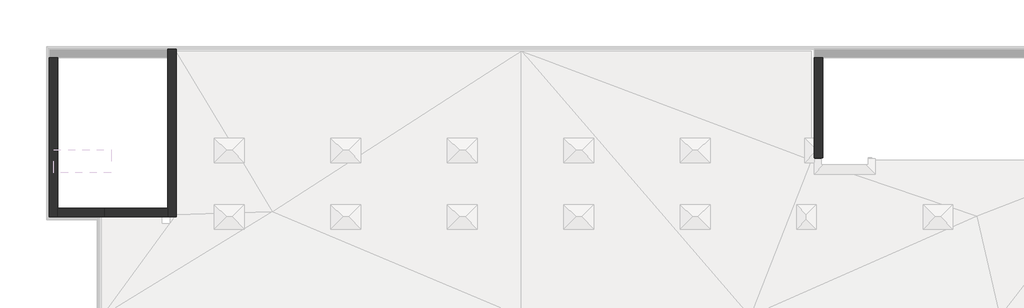
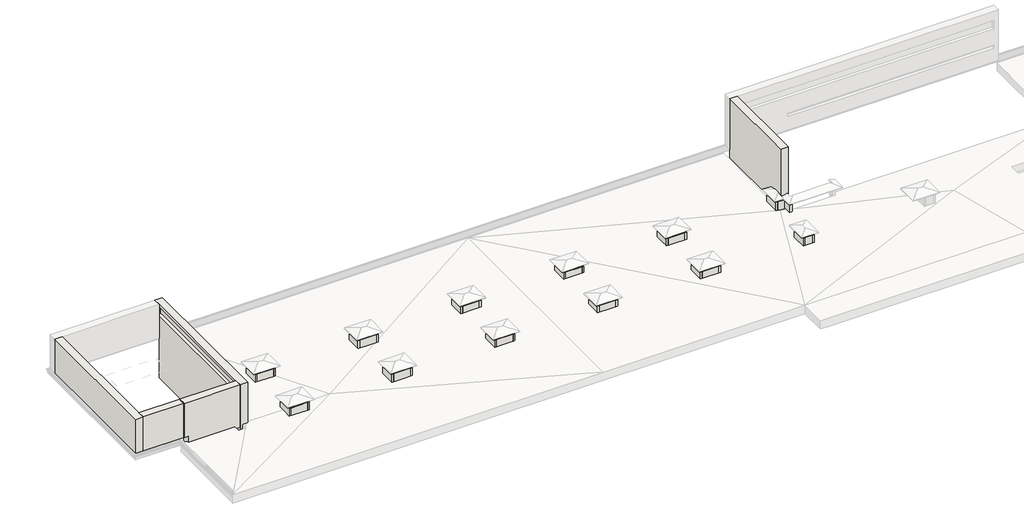
# One storey, part 1 of 5: 53 walls.
"""IFC4 building model written with IfcOpenShell, lengths in millimetres."""

from ifc_helpers import new_model, si_unit, frame, origin, place, context, project, spatial, polyline, outline, extrude, faceted_brep, element, save

model = new_model("IFC4")

# Units and contexts
model_context = context("Model", 3, world=origin())
ifc_project = project(units=[si_unit("LENGTHUNIT", "METRE", prefix="MILLI")], contexts=[model_context])

# Site, building, storey
site = spatial("IfcSite", under=ifc_project)
building = spatial("IfcBuilding", under=site)
storey = spatial("IfcBuildingStorey", under=building, Elevation=33100.0)

# Walls
placement = place(None, origin())
element("IfcWall", 1, at=placement, inside=storey, context=model_context, shape_type="Brep", body=[
    faceted_brep([(-2289.9887159, -5251.8920513, 33100.0), (-2289.9887159, -4996.8920513, 33100.0), (-2289.9887159, 393.1079487, 33100.0), (-2289.9887159, 393.1079487, 37300.0), (-2289.9887159, -4996.8920513, 37300.0), (-2289.9887159, -5506.8920513, 37300.0), (-2289.9887159, -5506.8920513, 37299.5128869), (-2289.9887159, -5506.8920513, 36862.0), (-2289.9887159, -5506.8920513, 33700.0), (-2289.9887159, -5251.8920513, 33700.0), (-2799.9887159, 393.1079487, 33100.0), (-2799.9887159, -4566.8920513, 33100.0), (-2799.9887159, -4686.8920513, 33100.0), (-2799.9887159, -5251.8920513, 33100.0), (-2799.9887159, -5251.8920513, 33700.0), (-2799.9887159, -5506.8920513, 33700.0), (-2799.9887159, -5506.8920513, 36862.0), (-2799.9887159, -5506.8920513, 37299.5128869), (-2799.9887159, -5506.8920513, 37300.0), (-2799.9887159, 393.1079487, 37300.0), (-2799.9887159, 393.1079487, 37299.5128869), (-2799.9887159, 393.1079487, 36862.0), (-2799.9887159, 393.1079487, 33700.0), (-2389.9887159, -5251.8920513, 33100.0), (-2589.9887159, -5251.8920513, 33100.0), (-2389.9887159, -5251.8920513, 33700.0), (-2589.9887159, -5251.8920513, 33700.0), (-2389.9887159, -5506.8920513, 33700.0)], [[[0, 1, 2, 3, 4, 5, 6, 7, 8, 9]], [[10, 11, 12, 13, 14, 15, 16, 17, 18, 19, 20, 21, 22]], [[2, 1, 0, 23, 24, 13, 12, 11, 10]], [[5, 4, 3, 19, 18]], [[13, 24, 23, 0, 9, 25, 26, 14]], [[15, 14, 26, 25, 9, 8, 27]], [[5, 18, 17, 16, 15, 27, 8, 7, 6]], [[3, 2, 10, 22, 21, 20, 19]]]),
])
element("IfcWall", 2, at=placement, inside=storey, context=model_context, shape_type="Brep", body=[
    faceted_brep([(-37999.9887159, -5606.8920513, 33000.0), (-37999.9887159, -5486.8920513, 33000.0), (-37999.9887159, -4686.8920513, 33000.0), (-37999.9887159, -4566.8920513, 33000.0), (-37999.9887159, -4566.8920513, 33700.0), (-37999.9887159, -4686.8920513, 33700.0), (-37999.9887159, -5486.8920513, 33700.0), (-37999.9887159, -5606.8920513, 33700.0), (-38119.9887159, -5606.8920513, 33000.0), (-38119.9887159, -5606.8920513, 33700.0), (-38119.9887159, -4566.8920513, 33700.0), (-38119.9887159, -4566.8920513, 33000.0)], [[[0, 1, 2, 3, 4, 5, 6, 7]], [[8, 9, 10, 11]], [[3, 2, 1, 0, 8, 11]], [[7, 6, 5, 4, 10, 9]], [[4, 3, 11, 10]], [[0, 7, 9, 8]]]),
])
element("IfcWall", 3, at=placement, inside=storey, context=model_context, shape_type="Brep", body=[
    faceted_brep([(-36759.9887159, -4686.8920513, 33700.0), (-36879.9887159, -4686.8920513, 33700.0), (-37999.9887159, -4686.8920513, 33700.0), (-37999.9887159, -4686.8920513, 33181.342633), (-37316.7992422, -4686.8920513, 33163.4736842), (-36879.9887159, -4686.8920513, 33163.4736842), (-36759.9887159, -4686.8920513, 33163.4736842), (-37999.9887159, -4566.8920513, 33700.0), (-36759.9887159, -4566.8920513, 33700.0), (-36759.9887159, -4566.8920513, 33165.3684211), (-37389.2413475, -4566.8920513, 33165.3684211), (-37999.9887159, -4566.8920513, 33181.342633)], [[[0, 1, 2, 3, 4, 5, 6]], [[7, 8, 9, 10, 11]], [[2, 1, 0, 8, 7]], [[2, 7, 11, 3]], [[8, 0, 6, 9]], [[10, 4, 3, 11]], [[4, 10, 9, 6, 5]]]),
])
element("IfcWall", 4, at=placement, inside=storey, context=model_context, shape_type="Brep", body=[
    faceted_brep([(-36879.9887159, -4686.8920513, 33000.0), (-36879.9887159, -5486.8920513, 33000.0), (-36879.9887159, -5606.8920513, 33000.0), (-36879.9887159, -5606.8920513, 33700.0), (-36879.9887159, -5486.8920513, 33700.0), (-36879.9887159, -4686.8920513, 33700.0), (-36759.9887159, -4686.8920513, 33000.0), (-36759.9887159, -4686.8920513, 33700.0), (-36759.9887159, -5606.8920513, 33700.0), (-36759.9887159, -5606.8920513, 33000.0)], [[[0, 1, 2, 3, 4, 5]], [[6, 7, 8, 9]], [[2, 1, 0, 6, 9]], [[5, 4, 3, 8, 7]], [[0, 5, 7, 6]], [[3, 2, 9, 8]]]),
])
element("IfcWall", 5, at=placement, inside=storey, context=model_context, shape_type="SweptSolid", body=[
    extrude(outline(polyline([(33700.0, -36879.9887159), (33700.0, -37999.9887159), (33181.342633, -37999.9887159), (33152.048823, -36879.9887159), (33700.0, -36879.9887159)])), frame((0.0, -5606.8920513, 0.0), z_axis=(0.0, 1.0, 0.0), x_axis=(0.0, 0.0, 1.0)), (0.0, 0.0, 1.0), 120.0),
])
element("IfcWall", 6, at=placement, inside=storey, context=model_context, shape_type="Brep", body=[
    faceted_brep([(-37999.9887159, -9546.8920513, 33000.0), (-37999.9887159, -9426.8920513, 33000.0), (-37999.9887159, -8626.8920513, 33000.0), (-37999.9887159, -8506.8920513, 33000.0), (-37999.9887159, -8506.8920513, 33700.0), (-37999.9887159, -8626.8920513, 33700.0), (-37999.9887159, -9426.8920513, 33700.0), (-37999.9887159, -9546.8920513, 33700.0), (-38119.9887159, -9546.8920513, 33000.0), (-38119.9887159, -9546.8920513, 33700.0), (-38119.9887159, -8506.8920513, 33700.0), (-38119.9887159, -8506.8920513, 33000.0)], [[[0, 1, 2, 3, 4, 5, 6, 7]], [[8, 9, 10, 11]], [[3, 2, 1, 0, 8, 11]], [[7, 6, 5, 4, 10, 9]], [[4, 3, 11, 10]], [[0, 7, 9, 8]]]),
])
element("IfcWall", 7, at=placement, inside=storey, context=model_context, shape_type="Brep", body=[
    faceted_brep([(-37999.9887159, -8626.8920513, 33000.0), (-36879.9887159, -8626.8920513, 33000.0), (-36759.9887159, -8626.8920513, 33000.0), (-36759.9887159, -8626.8920513, 33700.0), (-36879.9887159, -8626.8920513, 33700.0), (-37999.9887159, -8626.8920513, 33700.0), (-37999.9887159, -8506.8920513, 33000.0), (-37999.9887159, -8506.8920513, 33700.0), (-36759.9887159, -8506.8920513, 33700.0), (-36759.9887159, -8506.8920513, 33000.0)], [[[0, 1, 2, 3, 4, 5]], [[6, 7, 8, 9]], [[2, 1, 0, 6, 9]], [[5, 4, 3, 8, 7]], [[0, 5, 7, 6]], [[3, 2, 9, 8]]]),
])
element("IfcWall", 8, at=placement, inside=storey, context=model_context, shape_type="Brep", body=[
    faceted_brep([(-36879.9887159, -8626.8920513, 33000.0), (-36879.9887159, -9426.8920513, 33000.0), (-36879.9887159, -9546.8920513, 33000.0), (-36879.9887159, -9546.8920513, 33700.0), (-36879.9887159, -9426.8920513, 33700.0), (-36879.9887159, -8626.8920513, 33700.0), (-36759.9887159, -8626.8920513, 33000.0), (-36759.9887159, -8626.8920513, 33700.0), (-36759.9887159, -9546.8920513, 33700.0), (-36759.9887159, -9546.8920513, 33000.0)], [[[0, 1, 2, 3, 4, 5]], [[6, 7, 8, 9]], [[2, 1, 0, 6, 9]], [[5, 4, 3, 8, 7]], [[0, 5, 7, 6]], [[3, 2, 9, 8]]]),
])
element("IfcWall", 9, at=placement, inside=storey, context=model_context, shape_type="SweptSolid", body=[
    extrude(outline(polyline([(-37999.9887159, -9426.8920513), (-36879.9887159, -9426.8920513), (-36879.9887159, -9546.8920513), (-37999.9887159, -9546.8920513), (-37999.9887159, -9426.8920513)])), frame((0.0, 0.0, 33000.0), z_axis=(0.0, 0.0, 1.0), x_axis=(1.0, 0.0, 0.0)), (0.0, 0.0, 1.0), 700.0),
])
element("IfcWall", 10, at=placement, inside=storey, context=model_context, shape_type="Brep", body=[
    faceted_brep([(-41089.9887159, -9016.8920513, 36100.0), (-41089.9887159, -8506.8920513, 36100.0), (-41089.9887159, 393.1079487, 36100.0), (-41089.9887159, 903.1079487, 36100.0), (-41089.9887159, 903.1079487, 36099.5128869), (-41089.9887159, 903.1079487, 35662.0), (-41089.9887159, 903.1079487, 33700.0), (-41089.9887159, 393.1079487, 33700.0), (-41089.9887159, 393.1079487, 30900.0), (-41089.9887159, -8626.8920513, 30900.0), (-41089.9887159, -8906.8920513, 30900.0), (-41089.9887159, -8906.8920513, 30800.0), (-41089.9887159, -9016.8920513, 30800.0), (-41089.9887159, -9016.8920513, 33100.0), (-41089.9887159, -9016.8920513, 35662.0), (-41089.9887159, -9016.8920513, 36099.5128869), (-41089.9887159, -8706.8920513, 35302.0), (-41089.9887159, 593.1079487, 35302.0), (-41089.9887159, 593.1079487, 35900.0), (-41089.9887159, 221.8439838, 35890.9888398), (-41089.9887159, -8519.464085, 35890.9888398), (-41089.9887159, -8706.8920513, 35900.0), (-40579.9887159, 903.1079487, 36100.0), (-40579.9887159, -9016.8920513, 36100.0), (-40579.9887159, -9016.8920513, 36099.5128869), (-40579.9887159, -9016.8920513, 35662.0), (-40579.9887159, -9016.8920513, 30900.0), (-40579.9887159, 393.1079487, 30900.0), (-40579.9887159, 393.1079487, 33700.0), (-40579.9887159, 903.1079487, 33700.0), (-40579.9887159, 903.1079487, 35662.0), (-40579.9887159, 903.1079487, 36099.5128869), (-40949.9887159, -8906.8920513, 30800.0), (-40949.9887159, -9016.8920513, 30800.0), (-40949.9887159, -9016.8920513, 30900.0), (-40889.9887159, -8706.8920513, 35302.0), (-40889.9887159, 593.1079487, 35302.0), (-40889.9887159, -8706.8920513, 35900.0), (-40889.9887159, 593.1079487, 35900.0), (-40949.9887159, -8906.8920513, 30900.0)], [[[0, 1, 2, 3, 4, 5, 6, 7, 8, 9, 10, 11, 12, 13, 14, 15], [16, 17, 18, 19, 20, 21]], [[22, 23, 24, 25, 26, 27, 28, 29, 30, 31]], [[12, 11, 32, 33]], [[3, 2, 1, 0, 23, 22]], [[29, 28, 7, 6]], [[7, 28, 27, 8]], [[3, 22, 31, 30, 29, 6, 5, 4]], [[23, 0, 15, 14, 13, 12, 33, 34, 26, 25, 24]], [[35, 36, 17, 16]], [[37, 35, 16, 21]], [[36, 38, 18, 17]], [[36, 35, 37, 38]], [[18, 38, 19]], [[38, 37, 20, 19]], [[20, 37, 21]], [[39, 10, 9, 8, 27, 26, 34]], [[39, 34, 33, 32]], [[10, 39, 32, 11]]]),
])
element("IfcWall", 11, at=placement, inside=storey, context=model_context, shape_type="Brep", body=[
    faceted_brep([(-47589.9887159, -9016.8920513, 33700.0), (-47589.9887159, -8506.8920513, 33700.0), (-47589.9887159, 393.1079487, 33700.0), (-47589.9887159, 393.1079487, 35302.0), (-47589.9887159, -8706.8920513, 35302.0), (-47589.9887159, -8706.8920513, 35900.0), (-47589.9887159, -8532.1449316, 35891.5985095), (-47589.9887159, 246.9626545, 35891.5985095), (-47589.9887159, 393.1079487, 35895.1456855), (-47589.9887159, 393.1079487, 36100.0), (-47589.9887159, -8506.8920513, 36100.0), (-47589.9887159, -9016.8920513, 36100.0), (-47589.9887159, -9016.8920513, 36099.5128869), (-47589.9887159, -9016.8920513, 35662.0), (-48099.9887159, 393.1079487, 33700.0), (-48099.9887159, -9016.8920513, 33700.0), (-48099.9887159, -9016.8920513, 35662.0), (-48099.9887159, -9016.8920513, 36099.5128869), (-48099.9887159, -9016.8920513, 36100.0), (-48099.9887159, 393.1079487, 36100.0), (-48099.9887159, 393.1079487, 36099.5128869), (-48099.9887159, 393.1079487, 35662.0), (-47674.4303054, 393.1079487, 35895.1456855), (-47789.9887159, 393.1079487, 35900.0), (-47789.9887159, 393.1079487, 35302.0), (-47789.9887159, -8706.8920513, 35302.0), (-47789.9887159, -8706.8920513, 35900.0)], [[[0, 1, 2, 3, 4, 5, 6, 7, 8, 9, 10, 11, 12, 13]], [[14, 15, 16, 17, 18, 19, 20, 21]], [[2, 1, 0, 15, 14]], [[11, 10, 9, 19, 18]], [[2, 14, 21, 20, 19, 9, 8, 22, 23, 24, 3]], [[11, 18, 17, 16, 15, 0, 13, 12]], [[24, 25, 4, 3]], [[25, 26, 5, 4]], [[26, 25, 24, 23]], [[7, 22, 8]], [[22, 7, 6, 26, 23]], [[26, 6, 5]]]),
])
element("IfcWall", 12, at=placement, inside=storey, context=model_context, shape_type="Brep", body=[
    faceted_brep([(-47589.9887159, -9016.8920513, 33700.0), (-44844.9887159, -9016.8920513, 33700.0), (-44844.9887159, -9016.8920513, 35662.0), (-44844.9887159, -9016.8920513, 36099.5128869), (-44844.9887159, -9016.8920513, 36100.0), (-47589.9887159, -9016.8920513, 36100.0), (-47589.9887159, -9016.8920513, 36099.5128869), (-47589.9887159, -9016.8920513, 35662.0), (-44844.9887159, -8506.8920513, 33700.0), (-47589.9887159, -8506.8920513, 33700.0), (-47589.9887159, -8506.8920513, 36100.0), (-44844.9887159, -8506.8920513, 36100.0)], [[[0, 1, 2, 3, 4, 5, 6, 7]], [[8, 9, 10, 11]], [[1, 0, 9, 8]], [[8, 11, 4, 3, 2, 1]], [[5, 4, 11, 10]], [[5, 10, 9, 0, 7, 6]]]),
])
element("IfcWall", 13, at=placement, inside=storey, context=model_context, shape_type="Brep", body=[
    faceted_brep([(-41089.9887159, -8506.8920513, 33100.0), (-44589.9887159, -8506.8920513, 33100.0), (-44589.9887159, -8506.8920513, 33700.0), (-44894.9887159, -8506.8920513, 33700.0), (-44894.9887159, -8506.8920513, 36100.0), (-41089.9887159, -8506.8920513, 36100.0), (-44589.9887159, -9016.8920513, 33100.0), (-41089.9887159, -9016.8920513, 33100.0), (-41089.9887159, -9016.8920513, 35662.0), (-41089.9887159, -9016.8920513, 36099.5128869), (-41089.9887159, -9016.8920513, 36100.0), (-44894.9887159, -9016.8920513, 36100.0), (-44894.9887159, -9016.8920513, 36099.5128869), (-44894.9887159, -9016.8920513, 35662.0), (-44894.9887159, -9016.8920513, 33700.0), (-44589.9887159, -9016.8920513, 33700.0), (-44589.9887159, -9016.8920513, 33250.0)], [[[0, 1, 2, 3, 4, 5]], [[6, 7, 8, 9, 10, 11, 12, 13, 14, 15, 16]], [[1, 0, 7, 6]], [[5, 4, 11, 10]], [[11, 4, 3, 14, 13, 12]], [[14, 3, 2, 15]], [[2, 1, 6, 16, 15]], [[0, 5, 10, 9, 8, 7]]]),
])
element("IfcWall", 14, at=placement, inside=storey, context=model_context, shape_type="Brep", body=[
    faceted_brep([(-31099.9887159, -5606.8920513, 33000.0), (-31099.9887159, -5486.8920513, 33000.0), (-31099.9887159, -4686.8920513, 33000.0), (-31099.9887159, -4566.8920513, 33000.0), (-31099.9887159, -4566.8920513, 33700.0), (-31099.9887159, -4686.8920513, 33700.0), (-31099.9887159, -5486.8920513, 33700.0), (-31099.9887159, -5606.8920513, 33700.0), (-31219.9887159, -5606.8920513, 33000.0), (-31219.9887159, -5606.8920513, 33700.0), (-31219.9887159, -4566.8920513, 33700.0), (-31219.9887159, -4566.8920513, 33000.0)], [[[0, 1, 2, 3, 4, 5, 6, 7]], [[8, 9, 10, 11]], [[3, 2, 1, 0, 8, 11]], [[7, 6, 5, 4, 10, 9]], [[4, 3, 11, 10]], [[0, 7, 9, 8]]]),
])
element("IfcWall", 15, at=placement, inside=storey, context=model_context, shape_type="Brep", body=[
    faceted_brep([(-31099.9887159, -4686.8920513, 33000.0), (-29979.9887159, -4686.8920513, 33000.0), (-29859.9887159, -4686.8920513, 33000.0), (-29859.9887159, -4686.8920513, 33700.0), (-29979.9887159, -4686.8920513, 33700.0), (-31099.9887159, -4686.8920513, 33700.0), (-31099.9887159, -4566.8920513, 33000.0), (-31099.9887159, -4566.8920513, 33700.0), (-29859.9887159, -4566.8920513, 33700.0), (-29859.9887159, -4566.8920513, 33000.0)], [[[0, 1, 2, 3, 4, 5]], [[6, 7, 8, 9]], [[2, 1, 0, 6, 9]], [[5, 4, 3, 8, 7]], [[0, 5, 7, 6]], [[3, 2, 9, 8]]]),
])
element("IfcWall", 16, at=placement, inside=storey, context=model_context, shape_type="Brep", body=[
    faceted_brep([(-29979.9887159, -4686.8920513, 33000.0), (-29979.9887159, -5486.8920513, 33000.0), (-29979.9887159, -5606.8920513, 33000.0), (-29979.9887159, -5606.8920513, 33700.0), (-29979.9887159, -5486.8920513, 33700.0), (-29979.9887159, -4686.8920513, 33700.0), (-29859.9887159, -4686.8920513, 33000.0), (-29859.9887159, -4686.8920513, 33700.0), (-29859.9887159, -5606.8920513, 33700.0), (-29859.9887159, -5606.8920513, 33000.0)], [[[0, 1, 2, 3, 4, 5]], [[6, 7, 8, 9]], [[2, 1, 0, 6, 9]], [[5, 4, 3, 8, 7]], [[0, 5, 7, 6]], [[3, 2, 9, 8]]]),
])
element("IfcWall", 17, at=placement, inside=storey, context=model_context, shape_type="SweptSolid", body=[
    extrude(outline(polyline([(-31099.9887159, -5486.8920513), (-29979.9887159, -5486.8920513), (-29979.9887159, -5606.8920513), (-31099.9887159, -5606.8920513), (-31099.9887159, -5486.8920513)])), frame((0.0, 0.0, 33000.0), z_axis=(0.0, 0.0, 1.0), x_axis=(1.0, 0.0, 0.0)), (0.0, 0.0, 1.0), 700.0),
])
element("IfcWall", 18, at=placement, inside=storey, context=model_context, shape_type="Brep", body=[
    faceted_brep([(-31099.9887159, -9546.8920513, 33000.0), (-31099.9887159, -9426.8920513, 33000.0), (-31099.9887159, -8626.8920513, 33000.0), (-31099.9887159, -8506.8920513, 33000.0), (-31099.9887159, -8506.8920513, 33700.0), (-31099.9887159, -8626.8920513, 33700.0), (-31099.9887159, -9426.8920513, 33700.0), (-31099.9887159, -9546.8920513, 33700.0), (-31219.9887159, -9546.8920513, 33000.0), (-31219.9887159, -9546.8920513, 33700.0), (-31219.9887159, -8506.8920513, 33700.0), (-31219.9887159, -8506.8920513, 33000.0)], [[[0, 1, 2, 3, 4, 5, 6, 7]], [[8, 9, 10, 11]], [[3, 2, 1, 0, 8, 11]], [[7, 6, 5, 4, 10, 9]], [[4, 3, 11, 10]], [[0, 7, 9, 8]]]),
])
element("IfcWall", 19, at=placement, inside=storey, context=model_context, shape_type="Brep", body=[
    faceted_brep([(-31099.9887159, -8626.8920513, 33000.0), (-29979.9887159, -8626.8920513, 33000.0), (-29859.9887159, -8626.8920513, 33000.0), (-29859.9887159, -8626.8920513, 33700.0), (-29979.9887159, -8626.8920513, 33700.0), (-31099.9887159, -8626.8920513, 33700.0), (-31099.9887159, -8506.8920513, 33000.0), (-31099.9887159, -8506.8920513, 33700.0), (-29859.9887159, -8506.8920513, 33700.0), (-29859.9887159, -8506.8920513, 33000.0)], [[[0, 1, 2, 3, 4, 5]], [[6, 7, 8, 9]], [[2, 1, 0, 6, 9]], [[5, 4, 3, 8, 7]], [[0, 5, 7, 6]], [[3, 2, 9, 8]]]),
])
element("IfcWall", 20, at=placement, inside=storey, context=model_context, shape_type="Brep", body=[
    faceted_brep([(-29979.9887159, -8626.8920513, 33000.0), (-29979.9887159, -9426.8920513, 33000.0), (-29979.9887159, -9546.8920513, 33000.0), (-29979.9887159, -9546.8920513, 33700.0), (-29979.9887159, -9426.8920513, 33700.0), (-29979.9887159, -8626.8920513, 33700.0), (-29859.9887159, -8626.8920513, 33000.0), (-29859.9887159, -8626.8920513, 33700.0), (-29859.9887159, -9546.8920513, 33700.0), (-29859.9887159, -9546.8920513, 33000.0)], [[[0, 1, 2, 3, 4, 5]], [[6, 7, 8, 9]], [[2, 1, 0, 6, 9]], [[5, 4, 3, 8, 7]], [[0, 5, 7, 6]], [[3, 2, 9, 8]]]),
])
element("IfcWall", 21, at=placement, inside=storey, context=model_context, shape_type="SweptSolid", body=[
    extrude(outline(polyline([(-31099.9887159, -9426.8920513), (-29979.9887159, -9426.8920513), (-29979.9887159, -9546.8920513), (-31099.9887159, -9546.8920513), (-31099.9887159, -9426.8920513)])), frame((0.0, 0.0, 33000.0), z_axis=(0.0, 0.0, 1.0), x_axis=(1.0, 0.0, 0.0)), (0.0, 0.0, 1.0), 700.0),
])
element("IfcWall", 22, at=placement, inside=storey, context=model_context, shape_type="Brep", body=[
    faceted_brep([(-24199.9887159, -5606.8920513, 33000.0), (-24199.9887159, -5486.8920513, 33000.0), (-24199.9887159, -4686.8920513, 33000.0), (-24199.9887159, -4566.8920513, 33000.0), (-24199.9887159, -4566.8920513, 33700.0), (-24199.9887159, -4686.8920513, 33700.0), (-24199.9887159, -5486.8920513, 33700.0), (-24199.9887159, -5606.8920513, 33700.0), (-24319.9887159, -5606.8920513, 33000.0), (-24319.9887159, -5606.8920513, 33700.0), (-24319.9887159, -4566.8920513, 33700.0), (-24319.9887159, -4566.8920513, 33000.0)], [[[0, 1, 2, 3, 4, 5, 6, 7]], [[8, 9, 10, 11]], [[3, 2, 1, 0, 8, 11]], [[7, 6, 5, 4, 10, 9]], [[4, 3, 11, 10]], [[0, 7, 9, 8]]]),
])
element("IfcWall", 23, at=placement, inside=storey, context=model_context, shape_type="Brep", body=[
    faceted_brep([(-24199.9887159, -4686.8920513, 33000.0), (-23079.9887159, -4686.8920513, 33000.0), (-22959.9887159, -4686.8920513, 33000.0), (-22959.9887159, -4686.8920513, 33700.0), (-23079.9887159, -4686.8920513, 33700.0), (-24199.9887159, -4686.8920513, 33700.0), (-24199.9887159, -4566.8920513, 33000.0), (-24199.9887159, -4566.8920513, 33700.0), (-22959.9887159, -4566.8920513, 33700.0), (-22959.9887159, -4566.8920513, 33000.0)], [[[0, 1, 2, 3, 4, 5]], [[6, 7, 8, 9]], [[2, 1, 0, 6, 9]], [[5, 4, 3, 8, 7]], [[0, 5, 7, 6]], [[3, 2, 9, 8]]]),
])
element("IfcWall", 24, at=placement, inside=storey, context=model_context, shape_type="Brep", body=[
    faceted_brep([(-23079.9887159, -4686.8920513, 33000.0), (-23079.9887159, -5486.8920513, 33000.0), (-23079.9887159, -5606.8920513, 33000.0), (-23079.9887159, -5606.8920513, 33700.0), (-23079.9887159, -5486.8920513, 33700.0), (-23079.9887159, -4686.8920513, 33700.0), (-22959.9887159, -4686.8920513, 33000.0), (-22959.9887159, -4686.8920513, 33700.0), (-22959.9887159, -5606.8920513, 33700.0), (-22959.9887159, -5606.8920513, 33000.0)], [[[0, 1, 2, 3, 4, 5]], [[6, 7, 8, 9]], [[2, 1, 0, 6, 9]], [[5, 4, 3, 8, 7]], [[0, 5, 7, 6]], [[3, 2, 9, 8]]]),
])
element("IfcWall", 25, at=placement, inside=storey, context=model_context, shape_type="SweptSolid", body=[
    extrude(outline(polyline([(-24199.9887159, -5486.8920513), (-23079.9887159, -5486.8920513), (-23079.9887159, -5606.8920513), (-24199.9887159, -5606.8920513), (-24199.9887159, -5486.8920513)])), frame((0.0, 0.0, 33000.0), z_axis=(0.0, 0.0, 1.0), x_axis=(1.0, 0.0, 0.0)), (0.0, 0.0, 1.0), 700.0),
])
element("IfcWall", 26, at=placement, inside=storey, context=model_context, shape_type="Brep", body=[
    faceted_brep([(-24199.9887159, -9546.8920513, 33000.0), (-24199.9887159, -9426.8920513, 33000.0), (-24199.9887159, -8626.8920513, 33000.0), (-24199.9887159, -8506.8920513, 33000.0), (-24199.9887159, -8506.8920513, 33700.0), (-24199.9887159, -8626.8920513, 33700.0), (-24199.9887159, -9426.8920513, 33700.0), (-24199.9887159, -9546.8920513, 33700.0), (-24319.9887159, -9546.8920513, 33000.0), (-24319.9887159, -9546.8920513, 33700.0), (-24319.9887159, -8506.8920513, 33700.0), (-24319.9887159, -8506.8920513, 33000.0)], [[[0, 1, 2, 3, 4, 5, 6, 7]], [[8, 9, 10, 11]], [[3, 2, 1, 0, 8, 11]], [[7, 6, 5, 4, 10, 9]], [[4, 3, 11, 10]], [[0, 7, 9, 8]]]),
])
element("IfcWall", 27, at=placement, inside=storey, context=model_context, shape_type="Brep", body=[
    faceted_brep([(-24199.9887159, -8626.8920513, 33000.0), (-23079.9887159, -8626.8920513, 33000.0), (-22959.9887159, -8626.8920513, 33000.0), (-22959.9887159, -8626.8920513, 33700.0), (-23079.9887159, -8626.8920513, 33700.0), (-24199.9887159, -8626.8920513, 33700.0), (-24199.9887159, -8506.8920513, 33000.0), (-24199.9887159, -8506.8920513, 33700.0), (-22959.9887159, -8506.8920513, 33700.0), (-22959.9887159, -8506.8920513, 33000.0)], [[[0, 1, 2, 3, 4, 5]], [[6, 7, 8, 9]], [[2, 1, 0, 6, 9]], [[5, 4, 3, 8, 7]], [[0, 5, 7, 6]], [[3, 2, 9, 8]]]),
])
element("IfcWall", 28, at=placement, inside=storey, context=model_context, shape_type="Brep", body=[
    faceted_brep([(-23079.9887159, -8626.8920513, 33000.0), (-23079.9887159, -9426.8920513, 33000.0), (-23079.9887159, -9546.8920513, 33000.0), (-23079.9887159, -9546.8920513, 33700.0), (-23079.9887159, -9426.8920513, 33700.0), (-23079.9887159, -8626.8920513, 33700.0), (-22959.9887159, -8626.8920513, 33000.0), (-22959.9887159, -8626.8920513, 33700.0), (-22959.9887159, -9546.8920513, 33700.0), (-22959.9887159, -9546.8920513, 33000.0)], [[[0, 1, 2, 3, 4, 5]], [[6, 7, 8, 9]], [[2, 1, 0, 6, 9]], [[5, 4, 3, 8, 7]], [[0, 5, 7, 6]], [[3, 2, 9, 8]]]),
])
element("IfcWall", 29, at=placement, inside=storey, context=model_context, shape_type="SweptSolid", body=[
    extrude(outline(polyline([(-24199.9887159, -9426.8920513), (-23079.9887159, -9426.8920513), (-23079.9887159, -9546.8920513), (-24199.9887159, -9546.8920513), (-24199.9887159, -9426.8920513)])), frame((0.0, 0.0, 33000.0), z_axis=(0.0, 0.0, 1.0), x_axis=(1.0, 0.0, 0.0)), (0.0, 0.0, 1.0), 700.0),
])
element("IfcWall", 30, at=placement, inside=storey, context=model_context, shape_type="Brep", body=[
    faceted_brep([(-17299.9887159, -5606.8920513, 33000.0), (-17299.9887159, -5486.8920513, 33000.0), (-17299.9887159, -4686.8920513, 33000.0), (-17299.9887159, -4566.8920513, 33000.0), (-17299.9887159, -4566.8920513, 33700.0), (-17299.9887159, -4686.8920513, 33700.0), (-17299.9887159, -5486.8920513, 33700.0), (-17299.9887159, -5606.8920513, 33700.0), (-17419.9887159, -5606.8920513, 33000.0), (-17419.9887159, -5606.8920513, 33700.0), (-17419.9887159, -4566.8920513, 33700.0), (-17419.9887159, -4566.8920513, 33000.0)], [[[0, 1, 2, 3, 4, 5, 6, 7]], [[8, 9, 10, 11]], [[3, 2, 1, 0, 8, 11]], [[7, 6, 5, 4, 10, 9]], [[4, 3, 11, 10]], [[0, 7, 9, 8]]]),
])
element("IfcWall", 31, at=placement, inside=storey, context=model_context, shape_type="Brep", body=[
    faceted_brep([(-17299.9887159, -4686.8920513, 33000.0), (-16179.9887159, -4686.8920513, 33000.0), (-16059.9887159, -4686.8920513, 33000.0), (-16059.9887159, -4686.8920513, 33700.0), (-16179.9887159, -4686.8920513, 33700.0), (-17299.9887159, -4686.8920513, 33700.0), (-17299.9887159, -4566.8920513, 33000.0), (-17299.9887159, -4566.8920513, 33700.0), (-16059.9887159, -4566.8920513, 33700.0), (-16059.9887159, -4566.8920513, 33000.0)], [[[0, 1, 2, 3, 4, 5]], [[6, 7, 8, 9]], [[2, 1, 0, 6, 9]], [[5, 4, 3, 8, 7]], [[0, 5, 7, 6]], [[3, 2, 9, 8]]]),
])
element("IfcWall", 32, at=placement, inside=storey, context=model_context, shape_type="Brep", body=[
    faceted_brep([(-16179.9887159, -4686.8920513, 33000.0), (-16179.9887159, -5486.8920513, 33000.0), (-16179.9887159, -5606.8920513, 33000.0), (-16179.9887159, -5606.8920513, 33700.0), (-16179.9887159, -5486.8920513, 33700.0), (-16179.9887159, -4686.8920513, 33700.0), (-16059.9887159, -4686.8920513, 33000.0), (-16059.9887159, -4686.8920513, 33700.0), (-16059.9887159, -5606.8920513, 33700.0), (-16059.9887159, -5606.8920513, 33000.0)], [[[0, 1, 2, 3, 4, 5]], [[6, 7, 8, 9]], [[2, 1, 0, 6, 9]], [[5, 4, 3, 8, 7]], [[0, 5, 7, 6]], [[3, 2, 9, 8]]]),
])
element("IfcWall", 33, at=placement, inside=storey, context=model_context, shape_type="SweptSolid", body=[
    extrude(outline(polyline([(-17299.9887159, -5486.8920513), (-16179.9887159, -5486.8920513), (-16179.9887159, -5606.8920513), (-17299.9887159, -5606.8920513), (-17299.9887159, -5486.8920513)])), frame((0.0, 0.0, 33000.0), z_axis=(0.0, 0.0, 1.0), x_axis=(1.0, 0.0, 0.0)), (0.0, 0.0, 1.0), 700.0),
])
element("IfcWall", 34, at=placement, inside=storey, context=model_context, shape_type="Brep", body=[
    faceted_brep([(-17299.9887159, -9546.8920513, 33000.0), (-17299.9887159, -9426.8920513, 33000.0), (-17299.9887159, -8626.8920513, 33000.0), (-17299.9887159, -8506.8920513, 33000.0), (-17299.9887159, -8506.8920513, 33700.0), (-17299.9887159, -8626.8920513, 33700.0), (-17299.9887159, -9426.8920513, 33700.0), (-17299.9887159, -9546.8920513, 33700.0), (-17419.9887159, -9546.8920513, 33000.0), (-17419.9887159, -9546.8920513, 33700.0), (-17419.9887159, -8506.8920513, 33700.0), (-17419.9887159, -8506.8920513, 33000.0)], [[[0, 1, 2, 3, 4, 5, 6, 7]], [[8, 9, 10, 11]], [[3, 2, 1, 0, 8, 11]], [[7, 6, 5, 4, 10, 9]], [[4, 3, 11, 10]], [[0, 7, 9, 8]]]),
])
element("IfcWall", 35, at=placement, inside=storey, context=model_context, shape_type="Brep", body=[
    faceted_brep([(-17299.9887159, -8626.8920513, 33000.0), (-16179.9887159, -8626.8920513, 33000.0), (-16059.9887159, -8626.8920513, 33000.0), (-16059.9887159, -8626.8920513, 33700.0), (-16179.9887159, -8626.8920513, 33700.0), (-17299.9887159, -8626.8920513, 33700.0), (-17299.9887159, -8506.8920513, 33000.0), (-17299.9887159, -8506.8920513, 33700.0), (-16059.9887159, -8506.8920513, 33700.0), (-16059.9887159, -8506.8920513, 33000.0)], [[[0, 1, 2, 3, 4, 5]], [[6, 7, 8, 9]], [[2, 1, 0, 6, 9]], [[5, 4, 3, 8, 7]], [[0, 5, 7, 6]], [[3, 2, 9, 8]]]),
])
element("IfcWall", 36, at=placement, inside=storey, context=model_context, shape_type="Brep", body=[
    faceted_brep([(-16179.9887159, -8626.8920513, 33000.0), (-16179.9887159, -9426.8920513, 33000.0), (-16179.9887159, -9546.8920513, 33000.0), (-16179.9887159, -9546.8920513, 33700.0), (-16179.9887159, -9426.8920513, 33700.0), (-16179.9887159, -8626.8920513, 33700.0), (-16059.9887159, -8626.8920513, 33000.0), (-16059.9887159, -8626.8920513, 33700.0), (-16059.9887159, -9546.8920513, 33700.0), (-16059.9887159, -9546.8920513, 33000.0)], [[[0, 1, 2, 3, 4, 5]], [[6, 7, 8, 9]], [[2, 1, 0, 6, 9]], [[5, 4, 3, 8, 7]], [[0, 5, 7, 6]], [[3, 2, 9, 8]]]),
])
element("IfcWall", 37, at=placement, inside=storey, context=model_context, shape_type="SweptSolid", body=[
    extrude(outline(polyline([(-17299.9887159, -9426.8920513), (-16179.9887159, -9426.8920513), (-16179.9887159, -9546.8920513), (-17299.9887159, -9546.8920513), (-17299.9887159, -9426.8920513)])), frame((0.0, 0.0, 33000.0), z_axis=(0.0, 0.0, 1.0), x_axis=(1.0, 0.0, 0.0)), (0.0, 0.0, 1.0), 700.0),
])
element("IfcWall", 38, at=placement, inside=storey, context=model_context, shape_type="Brep", body=[
    faceted_brep([(-10399.9887159, -5606.8920513, 33000.0), (-10399.9887159, -5486.8920513, 33000.0), (-10399.9887159, -4686.8920513, 33000.0), (-10399.9887159, -4566.8920513, 33000.0), (-10399.9887159, -4566.8920513, 33700.0), (-10399.9887159, -4686.8920513, 33700.0), (-10399.9887159, -5486.8920513, 33700.0), (-10399.9887159, -5606.8920513, 33700.0), (-10519.9887159, -5606.8920513, 33000.0), (-10519.9887159, -5606.8920513, 33700.0), (-10519.9887159, -4566.8920513, 33700.0), (-10519.9887159, -4566.8920513, 33000.0)], [[[0, 1, 2, 3, 4, 5, 6, 7]], [[8, 9, 10, 11]], [[3, 2, 1, 0, 8, 11]], [[7, 6, 5, 4, 10, 9]], [[4, 3, 11, 10]], [[0, 7, 9, 8]]]),
])
element("IfcWall", 39, at=placement, inside=storey, context=model_context, shape_type="Brep", body=[
    faceted_brep([(-10399.9887159, -4686.8920513, 33000.0), (-9279.9887159, -4686.8920513, 33000.0), (-9159.9887159, -4686.8920513, 33000.0), (-9159.9887159, -4686.8920513, 33700.0), (-9279.9887159, -4686.8920513, 33700.0), (-10399.9887159, -4686.8920513, 33700.0), (-10399.9887159, -4566.8920513, 33000.0), (-10399.9887159, -4566.8920513, 33700.0), (-9159.9887159, -4566.8920513, 33700.0), (-9159.9887159, -4566.8920513, 33000.0)], [[[0, 1, 2, 3, 4, 5]], [[6, 7, 8, 9]], [[2, 1, 0, 6, 9]], [[5, 4, 3, 8, 7]], [[0, 5, 7, 6]], [[3, 2, 9, 8]]]),
])
element("IfcWall", 40, at=placement, inside=storey, context=model_context, shape_type="Brep", body=[
    faceted_brep([(-9279.9887159, -4686.8920513, 33000.0), (-9279.9887159, -5486.8920513, 33000.0), (-9279.9887159, -5606.8920513, 33000.0), (-9279.9887159, -5606.8920513, 33700.0), (-9279.9887159, -5486.8920513, 33700.0), (-9279.9887159, -4686.8920513, 33700.0), (-9159.9887159, -4686.8920513, 33000.0), (-9159.9887159, -4686.8920513, 33700.0), (-9159.9887159, -5606.8920513, 33700.0), (-9159.9887159, -5606.8920513, 33000.0)], [[[0, 1, 2, 3, 4, 5]], [[6, 7, 8, 9]], [[2, 1, 0, 6, 9]], [[5, 4, 3, 8, 7]], [[0, 5, 7, 6]], [[3, 2, 9, 8]]]),
])
element("IfcWall", 41, at=placement, inside=storey, context=model_context, shape_type="SweptSolid", body=[
    extrude(outline(polyline([(-10399.9887159, -5486.8920513), (-9279.9887159, -5486.8920513), (-9279.9887159, -5606.8920513), (-10399.9887159, -5606.8920513), (-10399.9887159, -5486.8920513)])), frame((0.0, 0.0, 33000.0), z_axis=(0.0, 0.0, 1.0), x_axis=(1.0, 0.0, 0.0)), (0.0, 0.0, 1.0), 700.0),
])
element("IfcWall", 42, at=placement, inside=storey, context=model_context, shape_type="Brep", body=[
    faceted_brep([(-10399.9887159, -9546.8920513, 33000.0), (-10399.9887159, -9426.8920513, 33000.0), (-10399.9887159, -8626.8920513, 33000.0), (-10399.9887159, -8506.8920513, 33000.0), (-10399.9887159, -8506.8920513, 33700.0), (-10399.9887159, -8626.8920513, 33700.0), (-10399.9887159, -9426.8920513, 33700.0), (-10399.9887159, -9546.8920513, 33700.0), (-10519.9887159, -9546.8920513, 33000.0), (-10519.9887159, -9546.8920513, 33700.0), (-10519.9887159, -8506.8920513, 33700.0), (-10519.9887159, -8506.8920513, 33000.0)], [[[0, 1, 2, 3, 4, 5, 6, 7]], [[8, 9, 10, 11]], [[3, 2, 1, 0, 8, 11]], [[7, 6, 5, 4, 10, 9]], [[4, 3, 11, 10]], [[0, 7, 9, 8]]]),
])
element("IfcWall", 43, at=placement, inside=storey, context=model_context, shape_type="Brep", body=[
    faceted_brep([(-10399.9887159, -8626.8920513, 33000.0), (-9279.9887159, -8626.8920513, 33000.0), (-9159.9887159, -8626.8920513, 33000.0), (-9159.9887159, -8626.8920513, 33700.0), (-9279.9887159, -8626.8920513, 33700.0), (-10399.9887159, -8626.8920513, 33700.0), (-10399.9887159, -8506.8920513, 33000.0), (-10399.9887159, -8506.8920513, 33700.0), (-9159.9887159, -8506.8920513, 33700.0), (-9159.9887159, -8506.8920513, 33000.0)], [[[0, 1, 2, 3, 4, 5]], [[6, 7, 8, 9]], [[2, 1, 0, 6, 9]], [[5, 4, 3, 8, 7]], [[0, 5, 7, 6]], [[3, 2, 9, 8]]]),
])
element("IfcWall", 44, at=placement, inside=storey, context=model_context, shape_type="Brep", body=[
    faceted_brep([(-9279.9887159, -8626.8920513, 33000.0), (-9279.9887159, -9426.8920513, 33000.0), (-9279.9887159, -9546.8920513, 33000.0), (-9279.9887159, -9546.8920513, 33700.0), (-9279.9887159, -9426.8920513, 33700.0), (-9279.9887159, -8626.8920513, 33700.0), (-9159.9887159, -8626.8920513, 33000.0), (-9159.9887159, -8626.8920513, 33700.0), (-9159.9887159, -9546.8920513, 33700.0), (-9159.9887159, -9546.8920513, 33000.0)], [[[0, 1, 2, 3, 4, 5]], [[6, 7, 8, 9]], [[2, 1, 0, 6, 9]], [[5, 4, 3, 8, 7]], [[0, 5, 7, 6]], [[3, 2, 9, 8]]]),
])
element("IfcWall", 45, at=placement, inside=storey, context=model_context, shape_type="SweptSolid", body=[
    extrude(outline(polyline([(-10399.9887159, -9426.8920513), (-9279.9887159, -9426.8920513), (-9279.9887159, -9546.8920513), (-10399.9887159, -9546.8920513), (-10399.9887159, -9426.8920513)])), frame((0.0, 0.0, 33000.0), z_axis=(0.0, 0.0, 1.0), x_axis=(1.0, 0.0, 0.0)), (0.0, 0.0, 1.0), 700.0),
])
element("IfcWall", 46, at=placement, inside=storey, context=model_context, shape_type="Brep", body=[
    faceted_brep([(-3499.9887159, -9546.8920513, 33000.0), (-3499.9887159, -9426.8920513, 33000.0), (-3499.9887159, -8626.8920513, 33000.0), (-3499.9887159, -8506.8920513, 33000.0), (-3499.9887159, -8506.8920513, 33700.0), (-3499.9887159, -8626.8920513, 33700.0), (-3499.9887159, -9426.8920513, 33700.0), (-3499.9887159, -9546.8920513, 33700.0), (-3619.9887159, -9546.8920513, 33000.0), (-3619.9887159, -9546.8920513, 33700.0), (-3619.9887159, -8506.8920513, 33700.0), (-3619.9887159, -8506.8920513, 33000.0)], [[[0, 1, 2, 3, 4, 5, 6, 7]], [[8, 9, 10, 11]], [[3, 2, 1, 0, 8, 11]], [[7, 6, 5, 4, 10, 9]], [[4, 3, 11, 10]], [[0, 7, 9, 8]]]),
])
element("IfcWall", 47, at=placement, inside=storey, context=model_context, shape_type="Brep", body=[
    faceted_brep([(-3499.9887159, -8626.8920513, 33000.0), (-2999.9887159, -8626.8920513, 33000.0), (-2879.9887159, -8626.8920513, 33000.0), (-2879.9887159, -8626.8920513, 33700.0), (-2999.9887159, -8626.8920513, 33700.0), (-3499.9887159, -8626.8920513, 33700.0), (-3499.9887159, -8506.8920513, 33000.0), (-3499.9887159, -8506.8920513, 33700.0), (-2879.9887159, -8506.8920513, 33700.0), (-2879.9887159, -8506.8920513, 33000.0)], [[[0, 1, 2, 3, 4, 5]], [[6, 7, 8, 9]], [[2, 1, 0, 6, 9]], [[5, 4, 3, 8, 7]], [[0, 5, 7, 6]], [[3, 2, 9, 8]]]),
])
element("IfcWall", 48, at=placement, inside=storey, context=model_context, shape_type="Brep", body=[
    faceted_brep([(-2999.9887159, -8626.8920513, 33000.0), (-2999.9887159, -9426.8920513, 33000.0), (-2999.9887159, -9546.8920513, 33000.0), (-2999.9887159, -9546.8920513, 33700.0), (-2999.9887159, -9426.8920513, 33700.0), (-2999.9887159, -8626.8920513, 33700.0), (-2879.9887159, -8626.8920513, 33000.0), (-2879.9887159, -8626.8920513, 33700.0), (-2879.9887159, -9546.8920513, 33700.0), (-2879.9887159, -9546.8920513, 33000.0)], [[[0, 1, 2, 3, 4, 5]], [[6, 7, 8, 9]], [[2, 1, 0, 6, 9]], [[5, 4, 3, 8, 7]], [[0, 5, 7, 6]], [[3, 2, 9, 8]]]),
])
element("IfcWall", 49, at=placement, inside=storey, context=model_context, shape_type="SweptSolid", body=[
    extrude(outline(polyline([(-3499.9887159, -9426.8920513), (-2999.9887159, -9426.8920513), (-2999.9887159, -9546.8920513), (-3499.9887159, -9546.8920513), (-3499.9887159, -9426.8920513)])), frame((0.0, 0.0, 33000.0), z_axis=(0.0, 0.0, 1.0), x_axis=(1.0, 0.0, 0.0)), (0.0, 0.0, 1.0), 700.0),
])
element("IfcWall", 50, at=placement, inside=storey, context=model_context, shape_type="Brep", body=[
    faceted_brep([(-2389.9887159, -6146.8920513, 33100.0), (-2389.9887159, -5506.8920513, 33100.0), (-2389.9887159, -5251.8920513, 33100.0), (-2389.9887159, -5251.8920513, 33700.0), (-2389.9887159, -5506.8920513, 33700.0), (-2389.9887159, -5946.8920513, 33700.0), (-2389.9887159, -6146.8920513, 33700.0), (-2389.9887159, -6146.8920513, 33104.0352103), (-2589.9887159, -6146.8920513, 33100.0), (-2589.9887159, -6146.8920513, 33700.0), (-2589.9887159, -5606.8920513, 33700.0), (-2589.9887159, -5486.8920513, 33700.0), (-2589.9887159, -5251.8920513, 33700.0), (-2589.9887159, -5251.8920513, 33100.0)], [[[0, 1, 2, 3, 4, 5, 6, 7]], [[8, 9, 10, 11, 12, 13]], [[2, 1, 0, 8, 13]], [[3, 2, 13, 12]], [[6, 5, 4, 3, 12, 11, 10, 9]], [[0, 7, 6, 9, 8]]]),
])
element("IfcWall", 51, at=placement, inside=storey, context=model_context, shape_type="Brep", body=[
    faceted_brep([(-3049.9887159, -5606.8920513, 33100.0), (-3049.9887159, -4686.8920513, 33100.0), (-3049.9887159, -4566.8920513, 33100.0), (-3049.9887159, -4566.8920513, 33700.0), (-3049.9887159, -4686.8920513, 33700.0), (-3049.9887159, -5486.8920513, 33700.0), (-3049.9887159, -5606.8920513, 33700.0), (-3169.9887159, -5606.8920513, 33100.0), (-3169.9887159, -5606.8920513, 33700.0), (-3169.9887159, -4566.8920513, 33700.0), (-3169.9887159, -4566.8920513, 33100.0)], [[[0, 1, 2, 3, 4, 5, 6]], [[7, 8, 9, 10]], [[2, 1, 0, 7, 10]], [[6, 5, 4, 3, 9, 8]], [[3, 2, 10, 9]], [[0, 6, 8, 7]]]),
])
element("IfcWall", 52, at=placement, inside=storey, context=model_context, shape_type="SweptSolid", body=[
    extrude(outline(polyline([(-2799.9887159, -4686.8920513), (-3049.9887159, -4686.8920513), (-3049.9887159, -4566.8920513), (-2799.9887159, -4566.8920513), (-2799.9887159, -4686.8920513)])), frame((0.0, 0.0, 33100.0), z_axis=(0.0, 0.0, 1.0), x_axis=(1.0, 0.0, 0.0)), (0.0, 0.0, 1.0), 600.0),
])
element("IfcWall", 53, at=placement, inside=storey, context=model_context, shape_type="Brep", body=[
    faceted_brep([(-2589.9887159, -5486.8920513, 33000.0), (-3049.9887159, -5486.8920513, 33000.0), (-3049.9887159, -5486.8920513, 33700.0), (-2589.9887159, -5486.8920513, 33700.0), (-2589.9887159, -5606.8920513, 33000.0), (-2589.9887159, -5606.8920513, 33700.0), (-3049.9887159, -5606.8920513, 33700.0), (-3049.9887159, -5606.8920513, 33100.0), (-3049.9887159, -5606.8920513, 33000.0)], [[[0, 1, 2, 3]], [[4, 5, 6, 7, 8]], [[1, 0, 4, 8]], [[3, 2, 6, 5]], [[2, 1, 8, 7, 6]], [[0, 3, 5, 4]]]),
])

save(model, "model.ifc")
